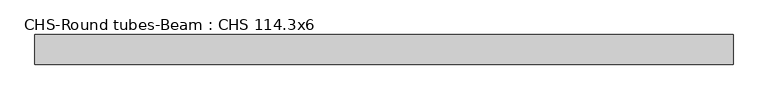
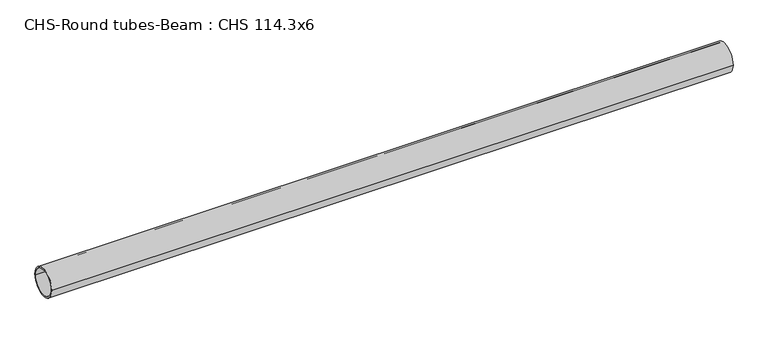
"""IFC4 building model written with IfcOpenShell, lengths in millimetres: beam geometry, CHS-Round tubes-Beam : CHS 114.3x6."""

from ifc_helpers import new_model, si_unit, point, frame, origin, origin_2d, place, context, project, spatial, circle_curve, trimmed, segment, composite_curve, outline, extrude, source, transform, mapped, element, save


def chs_round_tubes_beam_chs_114_3x6_cdc3183c(model_context):
    return source(origin(), model_context, "Body", "SweptSolid", [
        extrude(outline(composite_curve([segment(trimmed(circle_curve(origin_2d(), 57.15), [point((57.15, 0.0))], [point((-57.15, 0.0))], False, "CARTESIAN"), True, "CONTINUOUS"), segment(trimmed(circle_curve(origin_2d(), 57.15), [point((-57.15, 0.0))], [point((57.15, 0.0))], False, "CARTESIAN"), True, "CONTINUOUS")], self_intersect=False), holes=[composite_curve([segment(trimmed(circle_curve(origin_2d(), 51.15), [point((51.15, 0.0))], [point((-51.15, 0.0))], True, "CARTESIAN"), True, "CONTINUOUS"), segment(trimmed(circle_curve(origin_2d(), 51.15), [point((-51.15, 0.0))], [point((51.15, 0.0))], True, "CARTESIAN"), True, "CONTINUOUS")], self_intersect=False)]), frame((-1347.5163499, 0.0, 0.0), z_axis=(1.0, 0.0, 0.0), x_axis=(0.0, 1.0, 0.0)), (0.0, 0.0, 1.0), 2689.0865842),
    ])


if __name__ == "__main__":
    model = new_model("IFC4")
    model_context = context("Model", 3, world=origin())
    ifc_project = project(units=[si_unit("LENGTHUNIT", "METRE", prefix="MILLI")], contexts=[model_context])
    site = spatial("IfcSite", under=ifc_project)
    building = spatial("IfcBuilding", under=site)
    placement = place(None, origin())
    chs_round_tubes_beam_chs_114_3x6_shape = chs_round_tubes_beam_chs_114_3x6_cdc3183c(model_context)
    element("IfcBeam", 1, ObjectType="CHS-Round tubes-Beam : CHS 114.3x6", at=placement, inside=building, context=model_context, shape_type="MappedRepresentation", body=[
        mapped(chs_round_tubes_beam_chs_114_3x6_shape, transform((0.0, 0.0, 0.0), x_axis=(1.0, 0.0, 0.0), y_axis=(0.0, 1.0, 0.0), z_axis=(0.0, 0.0, 1.0))),
    ])
    save(model, "model.ifc")
